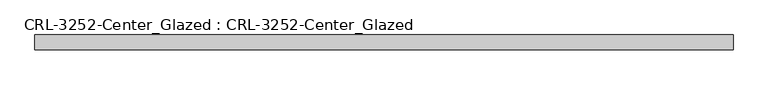
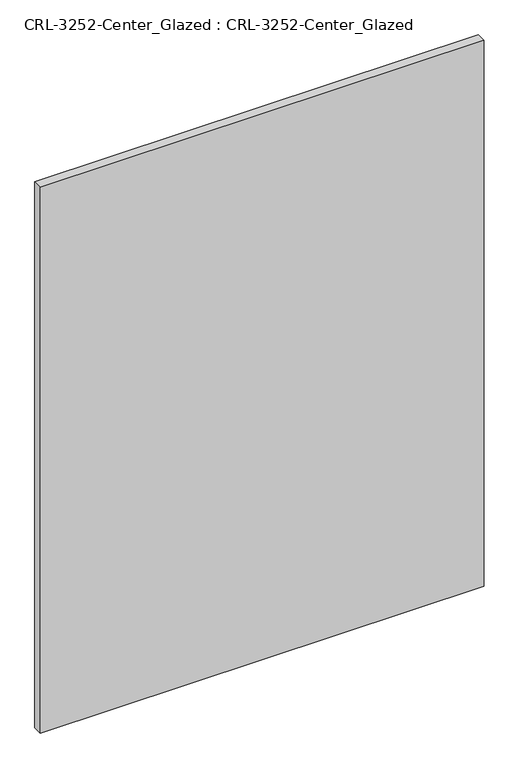
"""IFC4 building model written with IfcOpenShell, lengths in millimetres: plate geometry, CRL-3252-Center_Glazed : CRL-3252-Center_Glazed."""

from ifc_helpers import new_model, si_unit, origin, origin_with_axes, place, context, project, spatial, polyline, outline, extrude, source, transform, mapped, element, save


def crl_3252_center_glazed_crl_3252_center_glazed_356cb1ad(model_context):
    return source(origin(), model_context, "Body", "SweptSolid", [
        extrude(outline(polyline([(600.0665461, 12.7), (600.0665461, -12.7), (-600.0665461, -12.7), (-600.0665461, 12.7), (600.0665461, 12.7)])), origin_with_axes(), (0.0, 0.0, 1.0), 1559.5661691),
    ])


if __name__ == "__main__":
    model = new_model("IFC4")
    model_context = context("Model", 3, world=origin())
    ifc_project = project(units=[si_unit("LENGTHUNIT", "METRE", prefix="MILLI")], contexts=[model_context])
    site = spatial("IfcSite", under=ifc_project)
    building = spatial("IfcBuilding", under=site)
    placement = place(None, origin())
    crl_3252_center_glazed_crl_3252_center_glazed_shape = crl_3252_center_glazed_crl_3252_center_glazed_356cb1ad(model_context)
    element("IfcPlate", 1, ObjectType="CRL-3252-Center_Glazed : CRL-3252-Center_Glazed", at=placement, inside=building, context=model_context, shape_type="MappedRepresentation", body=[
        mapped(crl_3252_center_glazed_crl_3252_center_glazed_shape, transform((0.0, 0.0, 0.0), x_axis=(1.0, 0.0, 0.0), y_axis=(0.0, 1.0, 0.0), z_axis=(0.0, 0.0, 1.0))),
    ])
    save(model, "model.ifc")
